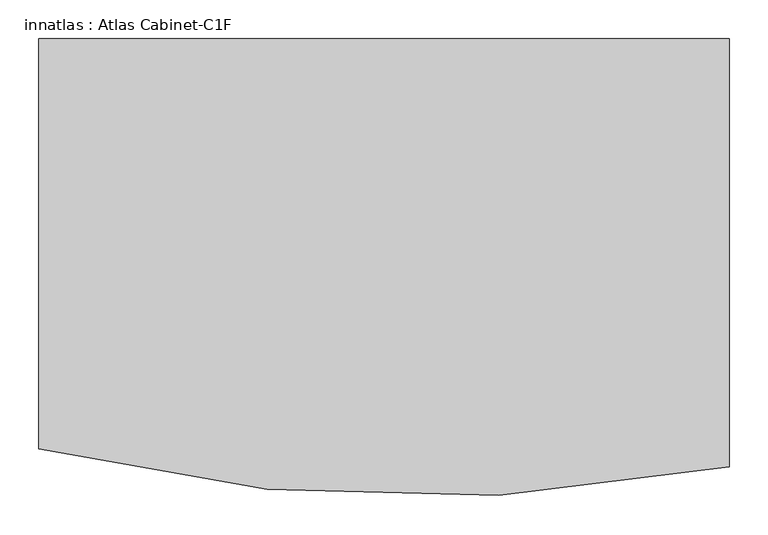
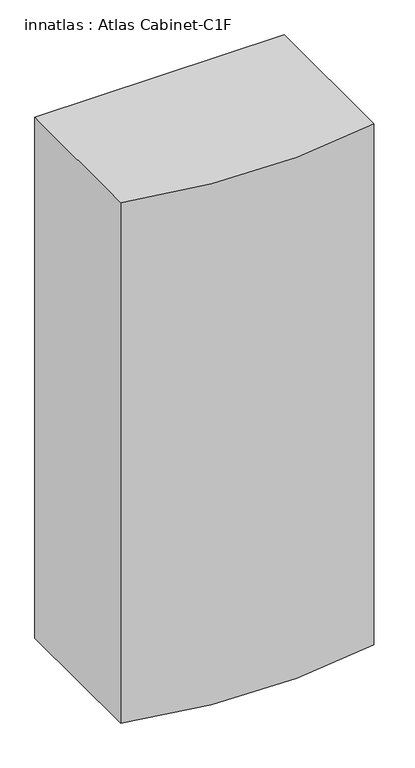
"""IFC4 building model written with IfcOpenShell, lengths in millimetres: proxy geometry, innatlas : Atlas Cabinet-C1F."""

from ifc_helpers import new_model, si_unit, point, frame_2d, origin, origin_with_axes, place, context, project, spatial, polyline, circle_curve, trimmed, segment, composite_curve, outline, extrude, source, transform, mapped, element, save


def innatlas_atlas_cabinet_c1f_b593af06(model_context):
    return source(origin(), model_context, "Body", "SweptSolid", [
        extrude(outline(composite_curve([segment(trimmed(circle_curve(frame_2d((579.713497, 1863.6030248)), 1977.3567172), [point((972.5434384, -74.3402727))], [point((86.7419319, -51.3169796))], False, "CARTESIAN"), True, "CONTINUOUS"), segment(polyline([(86.7419319, -51.3169796), (86.7419319, 475.2411554), (972.5434384, 475.2411554), (972.5434384, -74.3402727)]), True, "CONTINUOUS")], self_intersect=False)), origin_with_axes(), (0.0, 0.0, 1.0), 1955.8),
    ])


if __name__ == "__main__":
    model = new_model("IFC4")
    model_context = context("Model", 3, world=origin())
    ifc_project = project(units=[si_unit("LENGTHUNIT", "METRE", prefix="MILLI")], contexts=[model_context])
    site = spatial("IfcSite", under=ifc_project)
    building = spatial("IfcBuilding", under=site)
    placement = place(None, origin())
    innatlas_atlas_cabinet_c1f_shape = innatlas_atlas_cabinet_c1f_b593af06(model_context)
    element("IfcBuildingElementProxy", 1, Name="innatlas : Atlas Cabinet-C1F", ObjectType="innatlas : Atlas Cabinet-C1F", at=placement, inside=building, context=model_context, shape_type="MappedRepresentation", body=[
        mapped(innatlas_atlas_cabinet_c1f_shape, transform((0.0, 0.0, 0.0), x_axis=(1.0, 0.0, 0.0), y_axis=(0.0, 1.0, 0.0), z_axis=(0.0, 0.0, 1.0))),
    ])
    save(model, "model.ifc")
